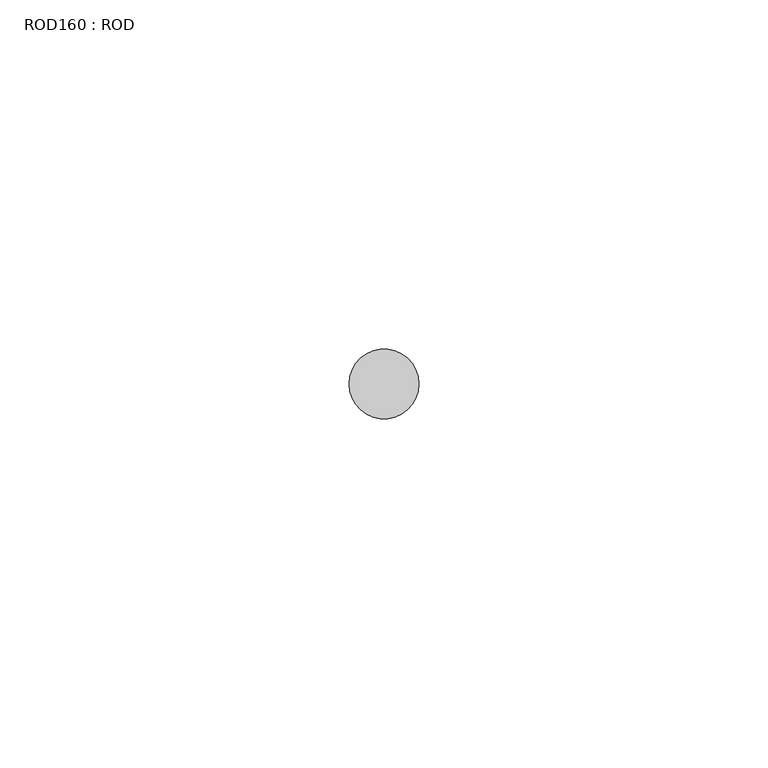
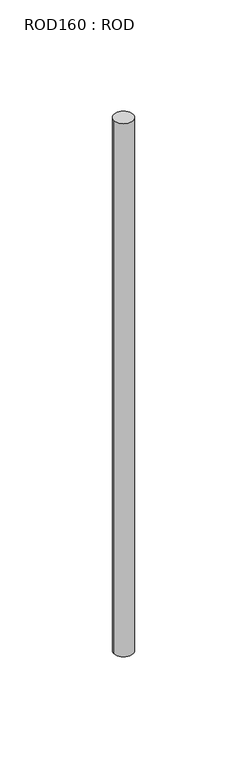
"""IFC4 building model written with IfcOpenShell, lengths in millimetres: proxy geometry, ROD160 : ROD."""

import ifcopenshell
import ifcopenshell.guid

model = None  # the IFC model being written
_history = None  # IfcOwnerHistory: only IFC2X3 demands one
_inside = {}  # id of a spatial element -> (the spatial element, [elements in it])
_under = {}  # id of a project, library or spatial element -> (it, [spatial elements below it])
_declared = {}  # id of a project -> (the project, [libraries it declares])
_typed = {}  # id of a type object -> (the type object, [elements of that type])
_made_of = {}  # id of a material, layer set ... -> (it, [elements and type objects made of it])


def new_model(schema):
    """Start an empty IFC model of exactly this schema.

    Asked for "IFC4X3", IfcOpenShell would pick the latest addendum, in which some entities
    have other attributes; the version numbers below select the first issue.
    IFC2X3 requires an IfcOwnerHistory on every rooted entity: one is made here for all.
    """
    global model, _history
    if schema == "IFC4X3":
        model = ifcopenshell.file(schema_version=(4, 3, 0, 0))
    else:
        model = ifcopenshell.file(schema=schema)
    _inside.clear()
    _under.clear()
    _declared.clear()
    _typed.clear()
    _made_of.clear()
    _history = None
    if model.schema == "IFC2X3":
        org = make("IfcOrganization", Name="unknown")
        user = make(
            "IfcPersonAndOrganization",
            ThePerson=make("IfcPerson", FamilyName="unknown"),
            TheOrganization=org,
        )
        app = make(
            "IfcApplication",
            ApplicationDeveloper=org,
            Version="unknown",
            ApplicationFullName="unknown",
            ApplicationIdentifier="unknown",
        )
        _history = make(
            "IfcOwnerHistory",
            OwningUser=user,
            OwningApplication=app,
            ChangeAction="ADDED",
            CreationDate=0,
        )
    return model


def make(cls, **values):
    """One entity of the class cls with the attributes given. An attribute that is None is left unset."""
    return model.create_entity(
        cls, **{name: value for name, value in values.items() if value is not None}
    )


def rooted(cls, **values):
    """An entity with a GlobalId (a new one), such as an element, a storey or a relation."""
    return make(cls, GlobalId=ifcopenshell.guid.new(), OwnerHistory=_history, **values)


def si_unit(unit_type, name, prefix=None):
    """IfcSIUnit, for example si_unit("LENGTHUNIT", "METRE", prefix="MILLI")."""
    return make("IfcSIUnit", UnitType=unit_type, Prefix=prefix, Name=name)


def assignment(units):
    """IfcUnitAssignment: the units of a project."""
    return None if units is None else make("IfcUnitAssignment", Units=units)


def point(xyz):
    """IfcCartesianPoint."""
    return None if xyz is None else make("IfcCartesianPoint", Coordinates=xyz)


def direction(xyz):
    """IfcDirection."""
    return None if xyz is None else make("IfcDirection", DirectionRatios=xyz)


def frame(location, z_axis=None, x_axis=None):
    """IfcAxis2Placement3D, a coordinate frame: its origin and axes. An axis left out is left unset."""
    return make(
        "IfcAxis2Placement3D",
        Location=point(location),
        Axis=direction(z_axis),
        RefDirection=direction(x_axis),
    )


def frame_2d(location, x_axis=None):
    """IfcAxis2Placement2D, a coordinate frame in the plane: its origin and x axis."""
    return make(
        "IfcAxis2Placement2D", Location=point(location), RefDirection=direction(x_axis)
    )


def origin():
    """The frame at (0, 0, 0) with its axes left unset."""
    return frame((0.0, 0.0, 0.0))


def place(relative_to, where):
    """IfcLocalPlacement: puts the frame where relative to a parent placement (None: the world)."""
    return make(
        "IfcLocalPlacement", PlacementRelTo=relative_to, RelativePlacement=where
    )


def context(
    kind, dimensions, precision=None, world=None, true_north=None, identifier=None
):
    """IfcGeometricRepresentationContext, for example the 3D "Model" context."""
    return make(
        "IfcGeometricRepresentationContext",
        ContextIdentifier=identifier,
        ContextType=kind,
        CoordinateSpaceDimension=dimensions,
        Precision=precision,
        WorldCoordinateSystem=world,
        TrueNorth=true_north,
    )


def project(units=None, contexts=None):
    """IfcProject with its units and contexts."""
    return rooted(
        "IfcProject",
        Name="project",
        RepresentationContexts=contexts,
        UnitsInContext=assignment(units),
    )


def spatial(cls, under=None, at=None, **own):
    """A site, building, storey or space (cls), placed at a placement, below another one or the project."""
    s = rooted(cls, ObjectPlacement=at, **own)
    if under is not None:
        _under.setdefault(under.id(), (under, []))[1].append(s)
    return s


def circle_curve(where, radius):
    """IfcCircle in the frame where."""
    return make("IfcCircle", Position=where, Radius=radius)


def trimmed(basis, trim1, trim2, sense, master):
    """IfcTrimmedCurve: the piece of a basis curve between two trims."""
    return make(
        "IfcTrimmedCurve",
        BasisCurve=basis,
        Trim1=trim1,
        Trim2=trim2,
        SenseAgreement=sense,
        MasterRepresentation=master,
    )


def segment(curve, same_sense, transition):
    """IfcCompositeCurveSegment."""
    return make(
        "IfcCompositeCurveSegment",
        Transition=transition,
        SameSense=same_sense,
        ParentCurve=curve,
    )


def composite_curve(segments, self_intersect=None):
    """IfcCompositeCurve: segments joined end to end."""
    return make("IfcCompositeCurve", Segments=segments, SelfIntersect=self_intersect)


def outline(outer, holes=None, kind="AREA"):
    """IfcArbitraryClosedProfileDef: a profile drawn as a closed curve; with holes, ...WithVoids."""
    if holes is None:
        return make("IfcArbitraryClosedProfileDef", ProfileType=kind, OuterCurve=outer)
    return make(
        "IfcArbitraryProfileDefWithVoids",
        ProfileType=kind,
        OuterCurve=outer,
        InnerCurves=holes,
    )


def extrude(swept, where, along, depth):
    """IfcExtrudedAreaSolid: the profile swept, set in the frame where, extruded along a direction by depth."""
    return make(
        "IfcExtrudedAreaSolid",
        SweptArea=swept,
        Position=where,
        ExtrudedDirection=direction(along),
        Depth=depth,
    )


def shape(context_of_items, identifier, shape_type, items):
    """IfcShapeRepresentation: the items that make up one representation, for example the "Body"."""
    return make(
        "IfcShapeRepresentation",
        ContextOfItems=context_of_items,
        RepresentationIdentifier=identifier,
        RepresentationType=shape_type,
        Items=items,
    )


def source(mapping_origin, context_of_items, identifier, shape_type, items):
    """IfcRepresentationMap: a shape defined once, which mapped items show again and again."""
    return make(
        "IfcRepresentationMap",
        MappingOrigin=mapping_origin,
        MappedRepresentation=shape(context_of_items, identifier, shape_type, items),
    )


def transform(
    local_origin,
    x_axis=None,
    y_axis=None,
    z_axis=None,
    scale=None,
    scale2=None,
    scale3=None,
    uniform=True,
):
    """IfcCartesianTransformationOperator3D, or its non-uniform kind. x_axis, y_axis, z_axis: its Axis1, 2, 3."""
    if uniform:
        return make(
            "IfcCartesianTransformationOperator3D",
            Axis1=direction(x_axis),
            Axis2=direction(y_axis),
            LocalOrigin=point(local_origin),
            Scale=scale,
            Axis3=direction(z_axis),
        )
    return make(
        "IfcCartesianTransformationOperator3DnonUniform",
        Axis1=direction(x_axis),
        Axis2=direction(y_axis),
        LocalOrigin=point(local_origin),
        Scale=scale,
        Axis3=direction(z_axis),
        Scale2=scale2,
        Scale3=scale3,
    )


def mapped(mapping_source, mapping_target):
    """IfcMappedItem: shows the shape of a source again, moved by a transform."""
    return make(
        "IfcMappedItem", MappingSource=mapping_source, MappingTarget=mapping_target
    )


def made_of(thing, what):
    """Note that an element or type object is made of a material, layer set ...; save() writes the relation."""
    if what is not None:
        _made_of.setdefault(what.id(), (what, []))[1].append(thing)
    return thing


def element(
    cls,
    number,
    at=None,
    inside=None,
    cuts=None,
    type_object=None,
    material=None,
    context=None,
    identifier="Body",
    shape_type=None,
    held_by="IfcProductDefinitionShape",
    body=None,
    shapes=None,
    **own,
):
    """One element of the class cls, such as IfcWall. Its Tag is "e" and its number.

    at: its placement. inside: the storey or other place that contains it. cuts: it is an
    opening in that element (IfcRelVoidsElement). A single representation is given by context,
    identifier, shape_type and body (its items); several are given by shapes. held_by: the class
    of the entity that holds the representations. save() writes the other relations.
    """
    e = rooted(cls, Tag="e%d" % number, ObjectPlacement=at, **own)
    if body is not None:
        shapes = [shape(context, identifier, shape_type, body)]
    if shapes is not None:
        e.Representation = make(held_by, Representations=shapes)
    if inside is not None:
        _inside.setdefault(inside.id(), (inside, []))[1].append(e)
    if cuts is not None:
        rooted(
            "IfcRelVoidsElement", RelatingBuildingElement=cuts, RelatedOpeningElement=e
        )
    if type_object is not None:
        _typed.setdefault(type_object.id(), (type_object, []))[1].append(e)
    return made_of(e, material)


def aggregate(whole, parts):
    """IfcRelAggregates: a whole, such as a stair, and the parts it consists of."""
    return rooted("IfcRelAggregates", RelatingObject=whole, RelatedObjects=parts)


def save(model, path):
    """Write the relations noted so far, then the file.

    IfcRelAggregates (storeys below a building ...), IfcRelContainedInSpatialStructure (elements
    in a storey), IfcRelDefinesByType, IfcRelAssociatesMaterial and IfcRelDeclares: one each for
    every whole, place, type object, material and project.
    """
    for whole, parts in _under.values():
        aggregate(whole, parts)
    for where, things in _inside.values():
        rooted(
            "IfcRelContainedInSpatialStructure",
            RelatedElements=things,
            RelatingStructure=where,
        )
    for kind, things in _typed.values():
        rooted("IfcRelDefinesByType", RelatedObjects=things, RelatingType=kind)
    for what, things in _made_of.values():
        rooted("IfcRelAssociatesMaterial", RelatedObjects=things, RelatingMaterial=what)
    for by, libraries in _declared.values():
        rooted("IfcRelDeclares", RelatingContext=by, RelatedDefinitions=libraries)
    model.write(path)


def rod160_rod_c2d1ba5a(model_context):
    return source(origin(), model_context, "Body", "SweptSolid", [
        extrude(outline(composite_curve([segment(trimmed(circle_curve(frame_2d((-5867.2215616, -12414.6300853)), 5.0), [point((-5872.2215616, -12414.6300853))], [point((-5862.2215616, -12414.6300853))], False, "CARTESIAN"), True, "CONTINUOUS"), segment(trimmed(circle_curve(frame_2d((-5867.2215616, -12414.6300853)), 5.0), [point((-5862.2215616, -12414.6300853))], [point((-5872.2215616, -12414.6300853))], False, "CARTESIAN"), True, "CONTINUOUS")], self_intersect=False)), frame((0.0, 0.0, -208.6608845), z_axis=(0.0, 0.0, 1.0), x_axis=(1.0, 0.0, 0.0)), (0.0, 0.0, 1.0), 298.9028972),
    ])


if __name__ == "__main__":
    model = new_model("IFC4")
    model_context = context("Model", 3, world=origin())
    ifc_project = project(units=[si_unit("LENGTHUNIT", "METRE", prefix="MILLI")], contexts=[model_context])
    site = spatial("IfcSite", under=ifc_project)
    building = spatial("IfcBuilding", under=site)
    placement = place(None, origin())
    rod160_rod_shape = rod160_rod_c2d1ba5a(model_context)
    element("IfcBuildingElementProxy", 1, Name="ROD160 : ROD", ObjectType="ROD160 : ROD", at=placement, inside=building, context=model_context, shape_type="MappedRepresentation", body=[
        mapped(rod160_rod_shape, transform((0.0, 0.0, 0.0), x_axis=(1.0, 0.0, 0.0), y_axis=(0.0, 1.0, 0.0), z_axis=(0.0, 0.0, 1.0))),
    ])
    save(model, "model.ifc")
